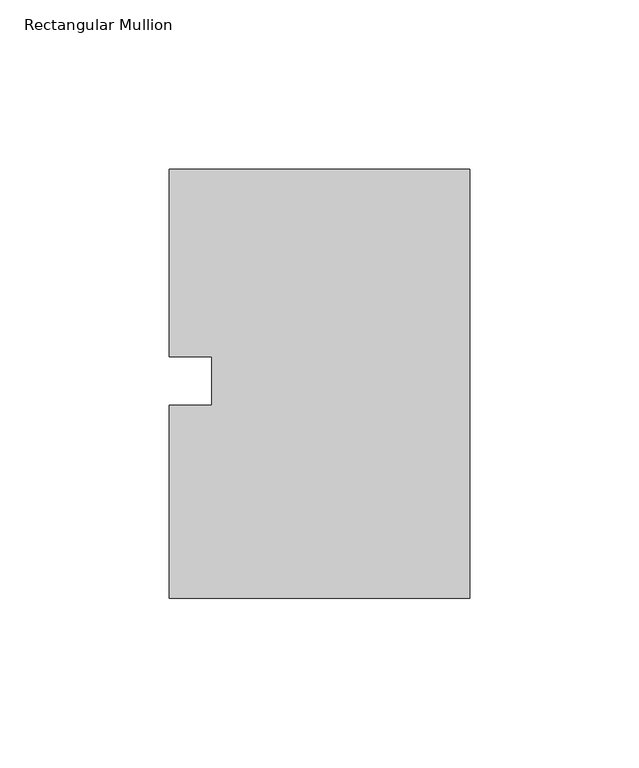
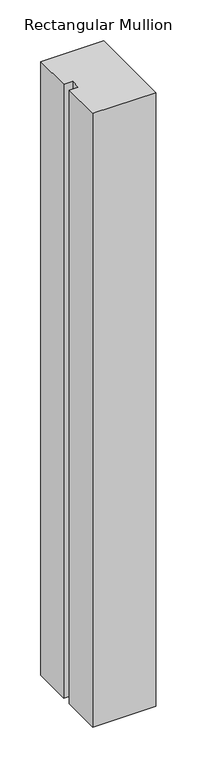
"""IFC4 building model written with IfcOpenShell, lengths in millimetres: member geometry, Rectangular Mullion."""

from ifc_helpers import new_model, si_unit, frame, origin, place, context, project, spatial, polyline, outline, extrude, source, transform, mapped, element, save


def rectangular_mullion_b2f07a46(model_context):
    return source(origin(), model_context, "Body", "SweptSolid", [
        extrude(outline(polyline([(-88.9, 62.70625), (0.0, 62.70625), (0.0, -64.29375), (-88.9, -64.29375), (-88.9, -7.14375), (-76.1982296, -7.14375), (-76.1982296, 7.14375), (-88.9, 7.14375), (-88.9, 62.70625)])), frame((0.0, 0.0, -915.5594027), z_axis=(0.0, 0.0, 1.0), x_axis=(1.0, 0.0, 0.0)), (0.0, 0.0, 1.0), 915.5594027),
    ])


if __name__ == "__main__":
    model = new_model("IFC4")
    model_context = context("Model", 3, world=origin())
    ifc_project = project(units=[si_unit("LENGTHUNIT", "METRE", prefix="MILLI")], contexts=[model_context])
    site = spatial("IfcSite", under=ifc_project)
    building = spatial("IfcBuilding", under=site)
    placement = place(None, origin())
    rectangular_mullion_shape = rectangular_mullion_b2f07a46(model_context)
    element("IfcMember", 1, ObjectType="Rectangular Mullion", at=placement, inside=building, context=model_context, shape_type="MappedRepresentation", body=[
        mapped(rectangular_mullion_shape, transform((0.0, 0.0, 0.0), x_axis=(1.0, 0.0, 0.0), y_axis=(0.0, 1.0, 0.0), z_axis=(0.0, 0.0, 1.0))),
    ])
    save(model, "model.ifc")
